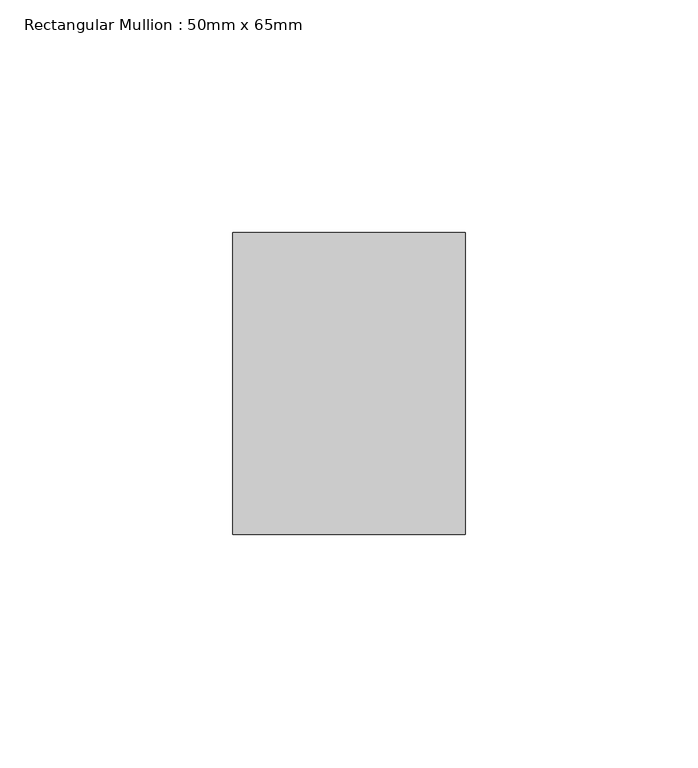
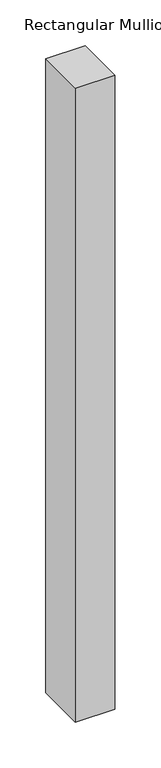
"""IFC4 building model written with IfcOpenShell, lengths in millimetres: member geometry, Rectangular Mullion : 50mm x 65mm."""

from ifc_helpers import new_model, si_unit, frame, origin, place, context, project, spatial, polyline, outline, extrude, source, transform, mapped, element, save


def rectangular_mullion_50mm_x_65mm_0f465a5c(model_context):
    return source(origin(), model_context, "Body", "SweptSolid", [
        extrude(outline(polyline([(25.0, 32.5), (25.0, -32.5), (-25.0, -32.5), (-25.0, 32.5), (25.0, 32.5)])), frame((0.0, 0.0, -846.7252007), z_axis=(0.0, 0.0, 1.0), x_axis=(1.0, 0.0, 0.0)), (0.0, 0.0, 1.0), 846.7252007),
    ])


if __name__ == "__main__":
    model = new_model("IFC4")
    model_context = context("Model", 3, world=origin())
    ifc_project = project(units=[si_unit("LENGTHUNIT", "METRE", prefix="MILLI")], contexts=[model_context])
    site = spatial("IfcSite", under=ifc_project)
    building = spatial("IfcBuilding", under=site)
    placement = place(None, origin())
    rectangular_mullion_50mm_x_65mm_shape = rectangular_mullion_50mm_x_65mm_0f465a5c(model_context)
    element("IfcMember", 1, ObjectType="Rectangular Mullion : 50mm x 65mm", at=placement, inside=building, context=model_context, shape_type="MappedRepresentation", body=[
        mapped(rectangular_mullion_50mm_x_65mm_shape, transform((0.0, 0.0, 0.0), x_axis=(1.0, 0.0, 0.0), y_axis=(0.0, 1.0, 0.0), z_axis=(0.0, 0.0, 1.0))),
    ])
    save(model, "model.ifc")
